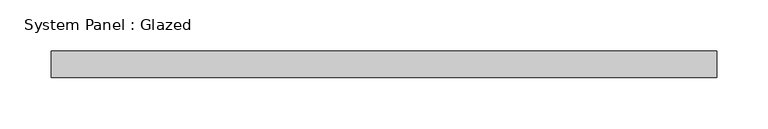
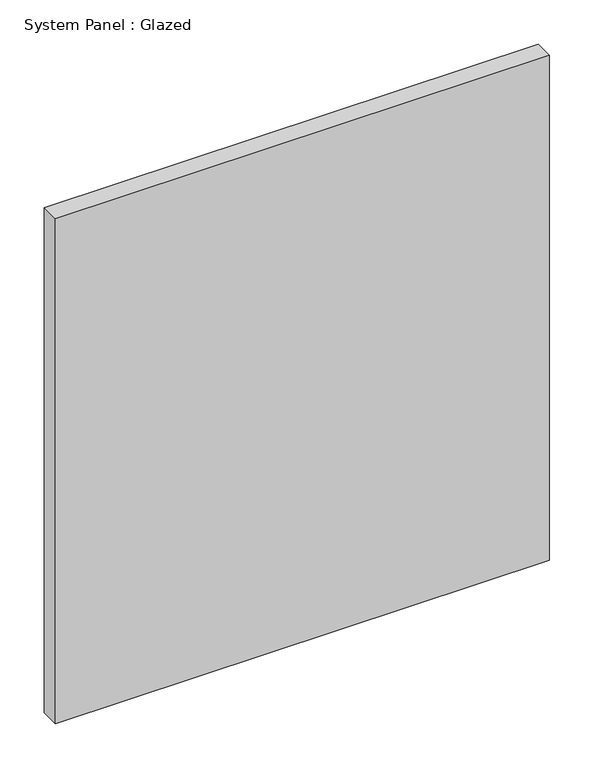
"""IFC4 building model written with IfcOpenShell, lengths in millimetres: plate geometry, System Panel : Glazed."""

from ifc_helpers import new_model, si_unit, origin, origin_with_axes, place, context, project, spatial, polyline, outline, extrude, source, transform, mapped, element, save


def system_panel_glazed_59481070(model_context):
    return source(origin(), model_context, "Body", "SweptSolid", [
        extrude(outline(polyline([(323.2150001, 19.05), (-323.2150001, 19.05), (-323.2150001, 44.45), (323.2150001, 44.45), (323.2150001, 19.05)])), origin_with_axes(), (0.0, 0.0, 1.0), 698.5),
    ])


if __name__ == "__main__":
    model = new_model("IFC4")
    model_context = context("Model", 3, world=origin())
    ifc_project = project(units=[si_unit("LENGTHUNIT", "METRE", prefix="MILLI")], contexts=[model_context])
    site = spatial("IfcSite", under=ifc_project)
    building = spatial("IfcBuilding", under=site)
    placement = place(None, origin())
    system_panel_glazed_shape = system_panel_glazed_59481070(model_context)
    element("IfcPlate", 1, ObjectType="System Panel : Glazed", at=placement, inside=building, context=model_context, shape_type="MappedRepresentation", body=[
        mapped(system_panel_glazed_shape, transform((0.0, 0.0, 0.0), x_axis=(1.0, 0.0, 0.0), y_axis=(0.0, 1.0, 0.0), z_axis=(0.0, 0.0, 1.0))),
    ])
    save(model, "model.ifc")
